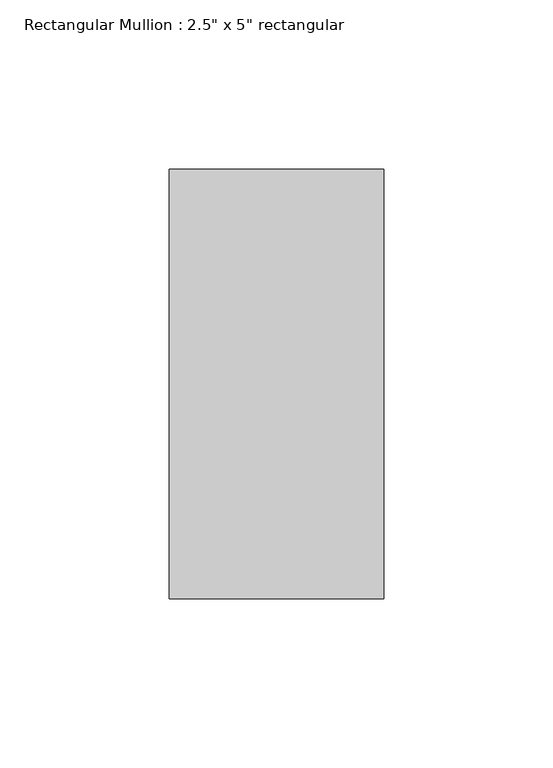
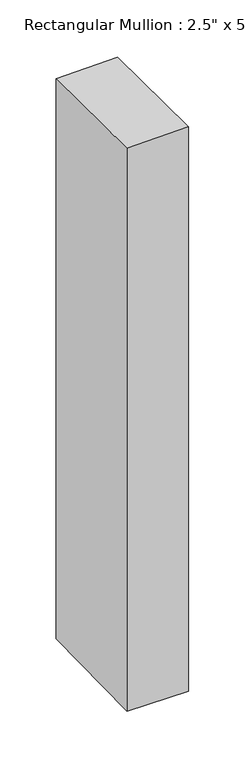
"""IFC4 building model written with IfcOpenShell, lengths in millimetres: member geometry."""

from ifc_helpers import new_model, si_unit, origin, place, context, project, spatial, faceted_brep, source, transform, mapped, element, save


def member_cd896ddf(model_context):
    return source(origin(), model_context, "Body", "Brep", [
        faceted_brep([(-63.5, 63.5, -1.6810258), (0.0, 63.5, -0.7492877), (0.0, 63.5, -612.3052545), (-63.5, 63.5, -611.3102473), (-63.5, -63.5, -0.1824503), (-63.5, -63.5, -612.8185106), (0.0, -63.5, 0.7492877), (0.0, -63.5, -613.8135179)], [[[0, 1, 2, 3]], [[4, 0, 3, 5]], [[6, 4, 5, 7]], [[1, 6, 7, 2]], [[1, 0, 4, 6]], [[2, 7, 5, 3]]]),
    ])


if __name__ == "__main__":
    model = new_model("IFC4")
    model_context = context("Model", 3, world=origin())
    ifc_project = project(units=[si_unit("LENGTHUNIT", "METRE", prefix="MILLI")], contexts=[model_context])
    site = spatial("IfcSite", under=ifc_project)
    building = spatial("IfcBuilding", under=site)
    placement = place(None, origin())
    member_shape = member_cd896ddf(model_context)
    element("IfcMember", 1, ObjectType="Rectangular Mullion : 2.5\" x 5\" rectangular", at=placement, inside=building, context=model_context, shape_type="MappedRepresentation", body=[
        mapped(member_shape, transform((0.0, 0.0, 0.0), x_axis=(1.0, 0.0, 0.0), y_axis=(0.0, 1.0, 0.0), z_axis=(0.0, 0.0, 1.0))),
    ])
    save(model, "model.ifc")
